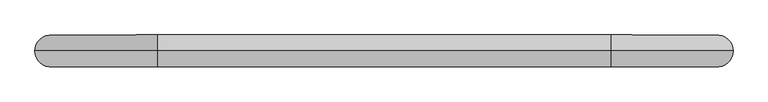
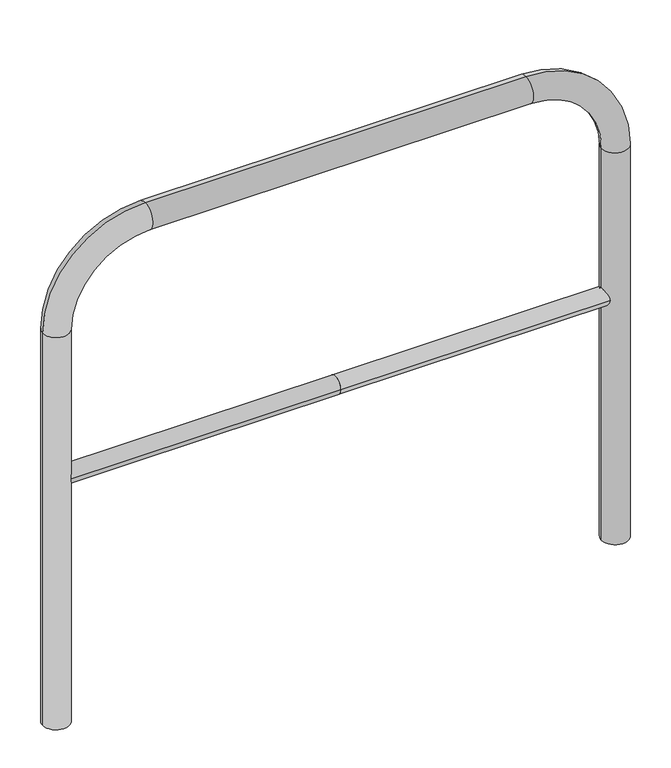
"""IFC4 building model written with IfcOpenShell, lengths in millimetres: proxy geometry."""

from ifc_helpers import new_model, si_unit, point, frame, frame_2d, origin, place, context, project, spatial, circle_curve, ellipse_curve, trimmed, segment, composite_curve, outline, extrude, source, transform, mapped, element, save
from ifc_brep_helpers import plane_surface, cylinder_surface, revolved_surface, advanced_brep


def generic_models_b7c4beaa(model_context):
    return source(origin(), model_context, "Body", "SolidModel", [
        extrude(outline(composite_curve([segment(trimmed(circle_curve(frame_2d((0.0, 498.4778375)), 20.0), [point((-20.0, 498.4778375))], [point((20.0, 498.4778375))], False, "CARTESIAN"), True, "CONTINUOUS"), segment(trimmed(circle_curve(frame_2d((0.0, 498.4778375)), 20.0), [point((20.0, 498.4778375))], [point((-20.0, 498.4778375))], False, "CARTESIAN"), True, "CONTINUOUS")], self_intersect=False)), frame((-627.0814098, 0.0, 0.0), z_axis=(1.0, 0.0, 0.0), x_axis=(0.0, 1.0, 0.0)), (0.0, 0.0, 1.0), 627.0814098),
        extrude(outline(composite_curve([segment(trimmed(circle_curve(frame_2d((0.0, 498.4778375)), 20.0), [point((-20.0, 498.4778375))], [point((20.0, 498.4778375))], False, "CARTESIAN"), True, "CONTINUOUS"), segment(trimmed(circle_curve(frame_2d((0.0, 498.4778375)), 20.0), [point((20.0, 498.4778375))], [point((-20.0, 498.4778375))], False, "CARTESIAN"), True, "CONTINUOUS")], self_intersect=False)), frame((0.0, 0.0, 0.0), z_axis=(1.0, 0.0, 0.0), x_axis=(0.0, 1.0, 0.0)), (0.0, 0.0, 1.0), 627.0814098),
        advanced_brep(
        [(-597.0814098, 0.0, -80.0), (-657.0814098, 0.0, -80.0), (-597.0814098, 0.0, 850.0), (-657.0814098, 0.0, 850.0), (-427.0814098, 0.0, 1080.0), (-427.0814098, 0.0, 1020.0), (427.0814098, 0.0, 1020.0), (427.0814098, 0.0, 1080.0), (657.0814098, 0.0, 850.0), (597.0814098, 0.0, 850.0), (597.0814098, 0.0, -80.0), (657.0814098, 0.0, -80.0)],
        [
            (0, 1, circle_curve(frame((-627.0814098, 0.0, -80.0), z_axis=(0.0, 0.0, -1.0), x_axis=(-1.0, 0.0, 0.0)), 30.0)),
            (1, 0, circle_curve(frame((-627.0814098, 0.0, -80.0), z_axis=(0.0, 0.0, -1.0), x_axis=(-1.0, 0.0, 0.0)), 30.0)),
            (0, 2),
            (2, 3, circle_curve(frame((-627.0814098, 0.0, 850.0), z_axis=(0.0, 0.0, -1.0), x_axis=(-1.0, 0.0, 0.0)), 30.0)),
            (3, 1),
            (3, 2, circle_curve(frame((-627.0814098, 0.0, 850.0), z_axis=(0.0, 0.0, -1.0), x_axis=(-1.0, 0.0, 0.0)), 30.0)),
            (4, 3, circle_curve(frame((-427.0814098, 0.0, 850.0), z_axis=(0.0, -1.0, 0.0), x_axis=(-1.0, 0.0, 0.0)), 230.0)),
            (2, 5, circle_curve(frame((-427.0814098, 0.0, 850.0), z_axis=(0.0, 1.0, 0.0), x_axis=(-1.0, 0.0, 0.0)), 170.0)),
            (5, 4, circle_curve(frame((-427.0814098, 0.0, 1050.0), z_axis=(-1.0, 0.0, 0.0), x_axis=(0.0, 0.0, 1.0)), 30.0)),
            (4, 5, circle_curve(frame((-427.0814098, 0.0, 1050.0), z_axis=(-1.0, 0.0, 0.0), x_axis=(0.0, 0.0, 1.0)), 30.0)),
            (5, 6),
            (6, 7, circle_curve(frame((427.0814098, 0.0, 1050.0), z_axis=(-1.0, 0.0, 0.0), x_axis=(0.0, 0.0, 1.0)), 30.0)),
            (7, 4),
            (7, 6, circle_curve(frame((427.0814098, 0.0, 1050.0), z_axis=(-1.0, 0.0, 0.0), x_axis=(0.0, 0.0, 1.0)), 30.0)),
            (8, 7, circle_curve(frame((427.0814098, 0.0, 850.0), z_axis=(0.0, -1.0, 0.0), x_axis=(0.0, 0.0, 1.0)), 230.0)),
            (6, 9, circle_curve(frame((427.0814098, 0.0, 850.0), z_axis=(0.0, 1.0, 0.0), x_axis=(0.0, 0.0, 1.0)), 170.0)),
            (9, 8, circle_curve(frame((627.0814098, 0.0, 850.0), z_axis=(0.0, 0.0, 1.0), x_axis=(1.0, 0.0, 0.0)), 30.0)),
            (8, 9, circle_curve(frame((627.0814098, 0.0, 850.0), z_axis=(0.0, 0.0, 1.0), x_axis=(1.0, 0.0, 0.0)), 30.0)),
            (10, 11, circle_curve(frame((627.0814098, 0.0, -80.0), z_axis=(0.0, 0.0, -1.0), x_axis=(1.0, 0.0, 0.0)), 30.0)),
            (11, 10, circle_curve(frame((627.0814098, 0.0, -80.0), z_axis=(0.0, 0.0, -1.0), x_axis=(1.0, 0.0, 0.0)), 30.0)),
            (9, 10),
            (11, 8),
        ],
        [
            plane_surface(frame((-627.0814098, 0.0, -80.0), z_axis=(0.0, 0.0, -1.0), x_axis=(0.0, -1.0, 0.0))),
            cylinder_surface(frame((-627.0814098, 0.0, -80.0), z_axis=(0.0, 0.0, -1.0), x_axis=(-1.0, 0.0, 0.0)), 30.0),
            revolved_surface(trimmed(ellipse_curve(frame((-627.0814098, 0.0, 850.0), z_axis=(0.0, 0.0, -1.0), x_axis=(-1.0, 0.0, 0.0)), 30.0, 30.0), [point((-597.0814098, 0.0, 850.0))], [point((-657.0814098, 0.0, 850.0))], True, "CARTESIAN"), (-427.0814098, 0.0, 850.0), (0.0, 1.0, 0.0)),
            revolved_surface(trimmed(ellipse_curve(frame((-627.0814098, 0.0, 850.0), z_axis=(0.0, 0.0, -1.0), x_axis=(-1.0, 0.0, 0.0)), 30.0, 30.0), [point((-657.0814098, 0.0, 850.0))], [point((-597.0814098, 0.0, 850.0))], True, "CARTESIAN"), (-427.0814098, 0.0, 850.0), (0.0, 1.0, 0.0)),
            cylinder_surface(frame((-427.0814098, 0.0, 1050.0), z_axis=(-1.0, 0.0, 0.0), x_axis=(0.0, 0.0, 1.0)), 30.0),
            revolved_surface(trimmed(ellipse_curve(frame((427.0814098, 0.0, 1050.0), z_axis=(-1.0, 0.0, 0.0), x_axis=(0.0, 0.0, 1.0)), 30.0, 30.0), [point((427.0814098, 0.0, 1020.0))], [point((427.0814098, 0.0, 1080.0))], True, "CARTESIAN"), (427.0814098, 0.0, 850.0), (0.0, 1.0, 0.0)),
            revolved_surface(trimmed(ellipse_curve(frame((427.0814098, 0.0, 1050.0), z_axis=(-1.0, 0.0, 0.0), x_axis=(0.0, 0.0, 1.0)), 30.0, 30.0), [point((427.0814098, 0.0, 1080.0))], [point((427.0814098, 0.0, 1020.0))], True, "CARTESIAN"), (427.0814098, 0.0, 850.0), (0.0, 1.0, 0.0)),
            plane_surface(frame((627.0814098, 0.0, -80.0), z_axis=(0.0, 0.0, -1.0), x_axis=(0.0, -1.0, 0.0))),
            cylinder_surface(frame((627.0814098, 0.0, 850.0), z_axis=(0.0, 0.0, 1.0), x_axis=(1.0, 0.0, 0.0)), 30.0),
        ],
        [
            (0, [[1, 2]]),
            (1, [[-1, 3, 4, 5]]),
            (1, [[-2, -5, 6, -3]]),
            (2, [[7, -4, 8, 9]]),
            (3, [[-8, -6, -7, 10]]),
            (4, [[-9, 11, 12, 13]]),
            (4, [[-10, -13, 14, -11]]),
            (5, [[15, -12, 16, 17]]),
            (6, [[-16, -14, -15, 18]]),
            (7, [[19, 20]]),
            (8, [[-17, 21, -20, 22]]),
            (8, [[-18, -22, -19, -21]]),
        ],
    ),
    ])


if __name__ == "__main__":
    model = new_model("IFC4")
    model_context = context("Model", 3, world=origin())
    ifc_project = project(units=[si_unit("LENGTHUNIT", "METRE", prefix="MILLI")], contexts=[model_context])
    site = spatial("IfcSite", under=ifc_project)
    building = spatial("IfcBuilding", under=site)
    placement = place(None, origin())
    generic_models_shape = generic_models_b7c4beaa(model_context)
    element("IfcBuildingElementProxy", 1, Name="Generic Models", at=placement, inside=building, context=model_context, shape_type="MappedRepresentation", body=[
        mapped(generic_models_shape, transform((0.0, 0.0, 0.0), x_axis=(1.0, 0.0, 0.0), y_axis=(0.0, 1.0, 0.0), z_axis=(0.0, 0.0, 1.0))),
    ])
    save(model, "model.ifc")
